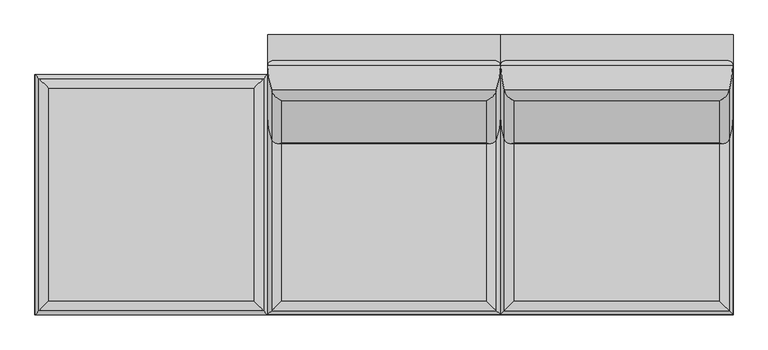
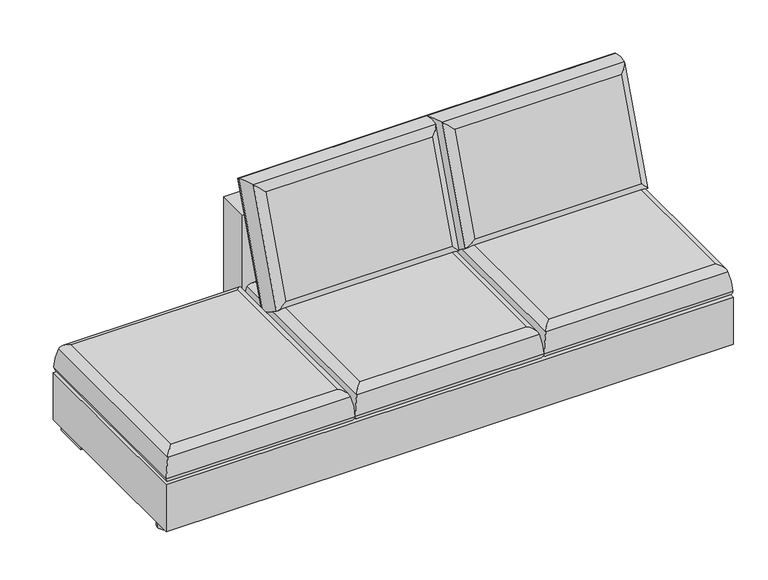
"""IFC4 building model written with IfcOpenShell, lengths in millimetres: furniture geometry."""

from ifc_helpers import new_model, si_unit, point, frame, frame_2d, origin, origin_with_axes, place, context, project, spatial, polyline, circle_curve, ellipse_curve, trimmed, segment, composite_curve, outline, extrude, source, transform, mapped, element, save
from ifc_brep_helpers import plane_surface, cylinder_surface, advanced_brep


def furniture_ee1c60ec(model_context):
    return source(origin(), model_context, "Body", "SolidModel", [
        extrude(outline(composite_curve([segment(polyline([(3146.8557485, 1413.1731837), (3146.8557485, 1552.0794337)]), True, "CONTINUOUS"), segment(trimmed(circle_curve(frame_2d((3556.4307485, -6571.2496529)), 8133.6478365), [point((3146.8557485, 1552.0794337))], [point((3966.0057485, 1552.0794337))], False, "CARTESIAN"), True, "CONTINUOUS"), segment(polyline([(3966.0057485, 1552.0794337), (3966.0057485, 1413.1731837), (3146.8557485, 1413.1731837)]), True, "CONTINUOUS")], self_intersect=False)), frame((0.0, 0.0, 60.325), z_axis=(0.0, 0.0, 1.0), x_axis=(1.0, 0.0, 0.0)), (0.0, 0.0, 1.0), 650.875),
        extrude(outline(composite_curve([segment(polyline([(4785.1557485, 1413.1731837), (3966.0057485, 1413.1731837), (3966.0057485, 1552.0794337)]), True, "CONTINUOUS"), segment(trimmed(circle_curve(frame_2d((4375.5807485, -6571.2496529)), 8133.6478365), [point((3966.0057485, 1552.0794337))], [point((4785.1557485, 1552.0794337))], False, "CARTESIAN"), True, "CONTINUOUS"), segment(polyline([(4785.1557485, 1552.0794337), (4785.1557485, 1413.1731837)]), True, "CONTINUOUS")], self_intersect=False)), frame((0.0, 0.0, 60.325), z_axis=(0.0, 0.0, 1.0), x_axis=(1.0, 0.0, 0.0)), (0.0, 0.0, 1.0), 650.875),
        advanced_brep(
        [(4758.643919, 1294.7666183, 377.9035736), (3992.5175779, 1294.7666183, 377.9035736), (3992.5175779, 1459.0650033, 829.3096765), (4758.643919, 1459.0650033, 829.3096765), (4771.0157614, 1356.8186905, 879.6901306), (4737.5307485, 1320.5688146, 857.25), (4737.5307485, 1170.7126888, 445.5236782), (4771.0157614, 1184.0574669, 405.0325697), (4013.6307485, 1170.7126888, 445.5236782), (3980.1457355, 1184.0574669, 405.0325697), (4013.6307485, 1320.5688146, 857.25), (3980.1457355, 1356.8186905, 879.6901306), (4784.0419387, 1261.9137541, 362.8330302), (4784.0419387, 1443.5854078, 861.9717966), (3967.1195582, 1261.9137541, 362.8330302), (3967.1195582, 1443.5854078, 861.9717966)],
        [
            (0, 1),
            (1, 2),
            (2, 3),
            (3, 0),
            (4, 5, ellipse_curve(frame((4735.8147056, 1354.3902913, 843.1138145), z_axis=(0.7071067811865477, -0.24184476264798005, -0.6644630243886728), x_axis=(0.7071067811865474, 0.24184476264798002, 0.664463024388673)), 51.8406023, 36.6568414)),
            (5, 6),
            (6, 7, ellipse_curve(frame((4735.8147056, 1205.7080079, 434.6125984), z_axis=(0.7071067811865472, 0.24184476264798022, 0.6644630243886732), x_axis=(-0.7071067811865479, 0.2418447626479799, 0.6644630243886727)), 51.8406023, 36.6568414)),
            (7, 4),
            (6, 8),
            (8, 9, ellipse_curve(frame((4015.3467913, 1205.7080079, 434.6125984), z_axis=(0.7071067811865477, -0.24184476264797994, -0.6644630243886728), x_axis=(0.7071067811865474, 0.24184476264798013, 0.6644630243886731)), 51.8406023, 36.6568414)),
            (9, 7),
            (8, 10),
            (10, 11, ellipse_curve(frame((4015.3467913, 1354.3902913, 843.1138145), z_axis=(-0.7071067811865474, -0.24184476264798002, -0.6644630243886731), x_axis=(0.7071067811865476, -0.24184476264798002, -0.6644630243886728)), 51.8406023, 36.6568414)),
            (11, 9),
            (4, 11),
            (10, 5),
            (7, 12, ellipse_curve(frame((4455.421816, 1378.1647034, 670.2313752), z_axis=(0.7071067811865472, 0.24184476264798022, 0.6644630243886732), x_axis=(-0.7071067811865479, 0.2418447626479799, 0.6644630243886727)), 464.7752698, 328.645745)),
            (12, 13),
            (13, 4, ellipse_curve(frame((4455.421816, 1335.0469541, 551.7663328), z_axis=(0.7071067811865477, -0.24184476264798005, -0.6644630243886728), x_axis=(0.7071067811865474, 0.24184476264798002, 0.664463024388673)), 464.7752698, 328.645745)),
            (9, 14, ellipse_curve(frame((4295.739681, 1378.1647034, 670.2313752), z_axis=(0.7071067811865477, -0.24184476264797994, -0.6644630243886728), x_axis=(0.7071067811865474, 0.24184476264798013, 0.6644630243886731)), 464.7752698, 328.645745)),
            (14, 12),
            (11, 15, ellipse_curve(frame((4295.739681, 1335.0469541, 551.7663328), z_axis=(-0.7071067811865474, -0.24184476264798002, -0.6644630243886731), x_axis=(0.7071067811865476, -0.24184476264798002, -0.6644630243886728)), 464.7752698, 328.645745)),
            (15, 14),
            (13, 15),
            (3, 13, ellipse_curve(frame((4758.643919, 1435.1968108, 837.9969882), z_axis=(0.7071067811865477, -0.24184476264798005, -0.6644630243886728), x_axis=(0.7071067811865474, 0.24184476264798002, 0.664463024388673)), 35.9210245, 25.4)),
            (12, 0, ellipse_curve(frame((4758.643919, 1270.8984257, 386.5908853), z_axis=(0.7071067811865472, 0.24184476264798022, 0.6644630243886732), x_axis=(-0.7071067811865479, 0.2418447626479799, 0.6644630243886727)), 35.9210245, 25.4)),
            (14, 1, ellipse_curve(frame((3992.5175779, 1270.8984257, 386.5908853), z_axis=(0.7071067811865477, -0.24184476264797994, -0.6644630243886728), x_axis=(0.7071067811865474, 0.24184476264798013, 0.6644630243886731)), 35.9210245, 25.4)),
            (15, 2, ellipse_curve(frame((3992.5175779, 1435.1968108, 837.9969882), z_axis=(-0.7071067811865474, -0.24184476264798002, -0.6644630243886731), x_axis=(0.7071067811865476, -0.24184476264798002, -0.6644630243886728)), 35.9210245, 25.4)),
        ],
        [
            plane_surface(frame((3992.5175779, 1459.0650033, 829.3096765), z_axis=(0.0, 0.939692620785906, -0.34202014332567565), x_axis=(1.0, 0.0, 0.0))),
            cylinder_surface(frame((4735.8147056, 1371.2659218, 889.4792284), z_axis=(0.0, 0.34202014332567554, 0.9396926207859059), x_axis=(1.0, 0.0, 0.0)), 36.6568414),
            cylinder_surface(frame((4785.1557485, 1205.7080079, 434.6125984), z_axis=(1.0, 0.0, 0.0), x_axis=(0.0, -0.3420201433256756, -0.939692620785906)), 36.6568414),
            cylinder_surface(frame((4015.3467913, 1188.8323774, 388.2471845), z_axis=(0.0, -0.3420201433256755, -0.939692620785906), x_axis=(-1.0, 0.0, 0.0)), 36.6568414),
            cylinder_surface(frame((3966.0057485, 1354.3902913, 843.1138145), z_axis=(-1.0, 0.0, 0.0), x_axis=(0.0, 0.3420201433256756, 0.939692620785906)), 36.6568414),
            cylinder_surface(frame((4455.421816, 1447.822601, 861.614876), z_axis=(0.0, 0.34202014332567554, 0.9396926207859059), x_axis=(1.0, 0.0, 0.0)), 328.645745),
            cylinder_surface(frame((4785.1557485, 1378.1647034, 670.2313752), z_axis=(1.0, 0.0, 0.0), x_axis=(0.0, -0.3420201433256756, -0.939692620785906)), 328.645745),
            cylinder_surface(frame((4295.739681, 1265.3890566, 360.382832), z_axis=(0.0, -0.3420201433256755, -0.939692620785906), x_axis=(-1.0, 0.0, 0.0)), 328.645745),
            cylinder_surface(frame((3966.0057485, 1335.0469541, 551.7663328), z_axis=(-1.0, 0.0, 0.0), x_axis=(0.0, 0.3420201433256756, 0.939692620785906)), 328.645745),
            cylinder_surface(frame((4758.643919, 1444.2643905, 862.9099587), z_axis=(0.0, 0.34202014332567554, 0.9396926207859059), x_axis=(1.0, 0.0, 0.0)), 25.4),
            cylinder_surface(frame((4785.1557485, 1270.8984257, 386.5908853), z_axis=(1.0, 0.0, 0.0), x_axis=(0.0, -0.3420201433256756, -0.939692620785906)), 25.4),
            cylinder_surface(frame((3992.5175779, 1261.830846, 361.6779148), z_axis=(0.0, -0.3420201433256755, -0.939692620785906), x_axis=(-1.0, 0.0, 0.0)), 25.4),
            cylinder_surface(frame((3966.0057485, 1435.1968108, 837.9969882), z_axis=(-1.0, 0.0, 0.0), x_axis=(0.0, 0.3420201433256756, 0.939692620785906)), 25.4),
            plane_surface(frame((4013.6307485, 1320.5688146, 857.25), z_axis=(0.0, -0.939692620785906, 0.3420201433256756), x_axis=(-1.0, 0.0, 0.0))),
        ],
        [
            (0, [[1, 2, 3, 4]]),
            (1, [[5, 6, 7, 8]]),
            (2, [[-7, 9, 10, 11]]),
            (3, [[-10, 12, 13, 14]]),
            (4, [[-5, 15, -13, 16]]),
            (5, [[-8, 17, 18, 19]]),
            (6, [[-11, 20, 21, -17]]),
            (7, [[-14, 22, 23, -20]]),
            (8, [[-15, -19, 24, -22]]),
            (9, [[-4, 25, -18, 26]]),
            (10, [[-1, -26, -21, 27]]),
            (11, [[-2, -27, -23, 28]]),
            (12, [[-3, -28, -24, -25]]),
            (13, [[-6, -16, -12, -9]]),
        ],
    ),
        advanced_brep(
        [(3939.493919, 1294.7666183, 377.9035736), (3173.3675779, 1294.7666183, 377.9035736), (3173.3675779, 1459.0650033, 829.3096765), (3939.493919, 1459.0650033, 829.3096765), (3951.8657614, 1356.8186905, 879.6901306), (3918.3807485, 1320.5688146, 857.25), (3918.3807485, 1170.7126888, 445.5236782), (3951.8657614, 1184.0574669, 405.0325697), (3194.4807485, 1170.7126888, 445.5236782), (3160.9957355, 1184.0574669, 405.0325697), (3194.4807485, 1320.5688146, 857.25), (3160.9957355, 1356.8186905, 879.6901306), (3964.8919387, 1261.9137541, 362.8330302), (3964.8919387, 1443.5854078, 861.9717966), (3147.9695582, 1261.9137541, 362.8330302), (3147.9695582, 1443.5854078, 861.9717966)],
        [
            (0, 1),
            (1, 2),
            (2, 3),
            (3, 0),
            (4, 5, ellipse_curve(frame((3916.6647056, 1354.3902913, 843.1138145), z_axis=(0.7071067811865477, -0.24184476264798005, -0.6644630243886728), x_axis=(0.7071067811865474, 0.24184476264798002, 0.664463024388673)), 51.8406023, 36.6568414)),
            (5, 6),
            (6, 7, ellipse_curve(frame((3916.6647056, 1205.7080079, 434.6125984), z_axis=(0.7071067811865472, 0.24184476264798022, 0.6644630243886732), x_axis=(-0.7071067811865479, 0.2418447626479799, 0.6644630243886727)), 51.8406023, 36.6568414)),
            (7, 4),
            (6, 8),
            (8, 9, ellipse_curve(frame((3196.1967913, 1205.7080079, 434.6125984), z_axis=(0.7071067811865477, -0.24184476264797994, -0.6644630243886728), x_axis=(0.7071067811865474, 0.24184476264798013, 0.6644630243886731)), 51.8406023, 36.6568414)),
            (9, 7),
            (8, 10),
            (10, 11, ellipse_curve(frame((3196.1967913, 1354.3902913, 843.1138145), z_axis=(-0.7071067811865474, -0.24184476264798002, -0.6644630243886731), x_axis=(0.7071067811865476, -0.24184476264798002, -0.6644630243886728)), 51.8406023, 36.6568414)),
            (11, 9),
            (4, 11),
            (10, 5),
            (7, 12, ellipse_curve(frame((3636.271816, 1378.1647034, 670.2313752), z_axis=(0.7071067811865472, 0.24184476264798022, 0.6644630243886732), x_axis=(-0.7071067811865479, 0.2418447626479799, 0.6644630243886727)), 464.7752698, 328.645745)),
            (12, 13),
            (13, 4, ellipse_curve(frame((3636.271816, 1335.0469541, 551.7663328), z_axis=(0.7071067811865477, -0.24184476264798005, -0.6644630243886728), x_axis=(0.7071067811865474, 0.24184476264798002, 0.664463024388673)), 464.7752698, 328.645745)),
            (9, 14, ellipse_curve(frame((3476.589681, 1378.1647034, 670.2313752), z_axis=(0.7071067811865477, -0.24184476264797994, -0.6644630243886728), x_axis=(0.7071067811865474, 0.24184476264798013, 0.6644630243886731)), 464.7752698, 328.645745)),
            (14, 12),
            (11, 15, ellipse_curve(frame((3476.589681, 1335.0469541, 551.7663328), z_axis=(-0.7071067811865474, -0.24184476264798002, -0.6644630243886731), x_axis=(0.7071067811865476, -0.24184476264798002, -0.6644630243886728)), 464.7752698, 328.645745)),
            (15, 14),
            (13, 15),
            (3, 13, ellipse_curve(frame((3939.493919, 1435.1968108, 837.9969882), z_axis=(0.7071067811865477, -0.24184476264798005, -0.6644630243886728), x_axis=(0.7071067811865474, 0.24184476264798002, 0.664463024388673)), 35.9210245, 25.4)),
            (12, 0, ellipse_curve(frame((3939.493919, 1270.8984257, 386.5908853), z_axis=(0.7071067811865472, 0.24184476264798022, 0.6644630243886732), x_axis=(-0.7071067811865479, 0.2418447626479799, 0.6644630243886727)), 35.9210245, 25.4)),
            (14, 1, ellipse_curve(frame((3173.3675779, 1270.8984257, 386.5908853), z_axis=(0.7071067811865477, -0.24184476264797994, -0.6644630243886728), x_axis=(0.7071067811865474, 0.24184476264798013, 0.6644630243886731)), 35.9210245, 25.4)),
            (15, 2, ellipse_curve(frame((3173.3675779, 1435.1968108, 837.9969882), z_axis=(-0.7071067811865474, -0.24184476264798002, -0.6644630243886731), x_axis=(0.7071067811865476, -0.24184476264798002, -0.6644630243886728)), 35.9210245, 25.4)),
        ],
        [
            plane_surface(frame((3173.3675779, 1459.0650033, 829.3096765), z_axis=(0.0, 0.939692620785906, -0.34202014332567565), x_axis=(1.0, 0.0, 0.0))),
            cylinder_surface(frame((3916.6647056, 1371.2659218, 889.4792284), z_axis=(0.0, 0.34202014332567554, 0.9396926207859059), x_axis=(1.0, 0.0, 0.0)), 36.6568414),
            cylinder_surface(frame((3966.0057485, 1205.7080079, 434.6125984), z_axis=(1.0, 0.0, 0.0), x_axis=(0.0, -0.3420201433256756, -0.939692620785906)), 36.6568414),
            cylinder_surface(frame((3196.1967913, 1188.8323774, 388.2471845), z_axis=(0.0, -0.3420201433256755, -0.939692620785906), x_axis=(-1.0, 0.0, 0.0)), 36.6568414),
            cylinder_surface(frame((3146.8557485, 1354.3902913, 843.1138145), z_axis=(-1.0, 0.0, 0.0), x_axis=(0.0, 0.3420201433256756, 0.939692620785906)), 36.6568414),
            cylinder_surface(frame((3636.271816, 1447.822601, 861.614876), z_axis=(0.0, 0.34202014332567554, 0.9396926207859059), x_axis=(1.0, 0.0, 0.0)), 328.645745),
            cylinder_surface(frame((3966.0057485, 1378.1647034, 670.2313752), z_axis=(1.0, 0.0, 0.0), x_axis=(0.0, -0.3420201433256756, -0.939692620785906)), 328.645745),
            cylinder_surface(frame((3476.589681, 1265.3890566, 360.382832), z_axis=(0.0, -0.3420201433256755, -0.939692620785906), x_axis=(-1.0, 0.0, 0.0)), 328.645745),
            cylinder_surface(frame((3146.8557485, 1335.0469541, 551.7663328), z_axis=(-1.0, 0.0, 0.0), x_axis=(0.0, 0.3420201433256756, 0.939692620785906)), 328.645745),
            cylinder_surface(frame((3939.493919, 1444.2643905, 862.9099587), z_axis=(0.0, 0.34202014332567554, 0.9396926207859059), x_axis=(1.0, 0.0, 0.0)), 25.4),
            cylinder_surface(frame((3966.0057485, 1270.8984257, 386.5908853), z_axis=(1.0, 0.0, 0.0), x_axis=(0.0, -0.3420201433256756, -0.939692620785906)), 25.4),
            cylinder_surface(frame((3173.3675779, 1261.830846, 361.6779148), z_axis=(0.0, -0.3420201433256755, -0.939692620785906), x_axis=(-1.0, 0.0, 0.0)), 25.4),
            cylinder_surface(frame((3146.8557485, 1435.1968108, 837.9969882), z_axis=(-1.0, 0.0, 0.0), x_axis=(0.0, 0.3420201433256756, 0.939692620785906)), 25.4),
            plane_surface(frame((3194.4807485, 1320.5688146, 857.25), z_axis=(0.0, -0.939692620785906, 0.3420201433256756), x_axis=(-1.0, 0.0, 0.0))),
        ],
        [
            (0, [[1, 2, 3, 4]]),
            (1, [[5, 6, 7, 8]]),
            (2, [[-7, 9, 10, 11]]),
            (3, [[-10, 12, 13, 14]]),
            (4, [[-5, 15, -13, 16]]),
            (5, [[-8, 17, 18, 19]]),
            (6, [[-11, 20, 21, -17]]),
            (7, [[-14, 22, 23, -20]]),
            (8, [[-15, -19, 24, -22]]),
            (9, [[-4, 25, -18, 26]]),
            (10, [[-1, -26, -21, 27]]),
            (11, [[-2, -27, -23, 28]]),
            (12, [[-3, -28, -24, -25]]),
            (13, [[-6, -16, -12, -9]]),
        ],
    ),
        advanced_brep(
        [(4758.643919, 591.9600131, 276.225), (3992.5175779, 591.9600131, 276.225), (3992.5175779, 1386.6613542, 276.225), (4758.643919, 1386.6613542, 276.225), (4771.0157614, 1399.0331966, 389.5362358), (4737.5307485, 1365.5481837, 415.925), (4737.5307485, 613.0731837, 415.925), (4771.0157614, 579.5881707, 389.5362358), (4013.6307485, 613.0731837, 415.925), (3980.1457355, 579.5881707, 389.5362358), (4013.6307485, 1365.5481837, 415.925), (3980.1457355, 1399.0331966, 389.5362358), (4784.0419387, 566.5619934, 301.9421647), (4784.0419387, 1412.0593739, 301.9421647), (3967.1195582, 566.5619934, 301.9421647), (3967.1195582, 1412.0593739, 301.9421647)],
        [
            (0, 1),
            (1, 2),
            (2, 3),
            (3, 0),
            (4, 5, ellipse_curve(frame((4735.8147056, 1363.8321408, 379.3083478), z_axis=(0.7071067811865475, -0.7071067811865475, 0.0), x_axis=(0.7071067811865474, 0.7071067811865476, 0.0)), 51.8406023, 36.6568414)),
            (5, 6),
            (6, 7, ellipse_curve(frame((4735.8147056, 614.7892265, 379.3083478), z_axis=(0.7071067811865475, 0.7071067811865475, 0.0), x_axis=(-0.7071067811865474, 0.7071067811865476, 0.0)), 51.8406023, 36.6568414)),
            (7, 4),
            (6, 8),
            (8, 9, ellipse_curve(frame((4015.3467913, 614.7892265, 379.3083478), z_axis=(0.7071067811865475, -0.7071067811865475, 0.0), x_axis=(0.7071067811865476, 0.7071067811865474, 0.0)), 51.8406023, 36.6568414)),
            (9, 7),
            (8, 10),
            (10, 11, ellipse_curve(frame((4015.3467913, 1363.8321408, 379.3083478), z_axis=(-0.7071067811865475, -0.7071067811865475, 0.0), x_axis=(0.7071067811865474, -0.7071067811865476, 0.0)), 51.8406023, 36.6568414)),
            (11, 9),
            (4, 11),
            (10, 5),
            (7, 12, ellipse_curve(frame((4455.421816, 895.1821162, 297.8384315), z_axis=(0.7071067811865475, 0.7071067811865475, 0.0), x_axis=(-0.7071067811865474, 0.7071067811865476, 0.0)), 464.7752698, 328.645745)),
            (12, 13),
            (13, 4, ellipse_curve(frame((4455.421816, 1083.4392512, 297.8384315), z_axis=(0.7071067811865475, -0.7071067811865475, 0.0), x_axis=(0.7071067811865474, 0.7071067811865476, 0.0)), 464.7752698, 328.645745)),
            (9, 14, ellipse_curve(frame((4295.739681, 895.1821162, 297.8384315), z_axis=(0.7071067811865475, -0.7071067811865475, 0.0), x_axis=(0.7071067811865476, 0.7071067811865474, 0.0)), 464.7752698, 328.645745)),
            (14, 12),
            (11, 15, ellipse_curve(frame((4295.739681, 1083.4392512, 297.8384315), z_axis=(-0.7071067811865475, -0.7071067811865475, 0.0), x_axis=(0.7071067811865474, -0.7071067811865476, 0.0)), 464.7752698, 328.645745)),
            (15, 14),
            (13, 15),
            (3, 13, ellipse_curve(frame((4758.643919, 1386.6613542, 301.625), z_axis=(0.7071067811865475, -0.7071067811865475, 0.0), x_axis=(0.7071067811865474, 0.7071067811865476, 0.0)), 35.9210245, 25.4)),
            (12, 0, ellipse_curve(frame((4758.643919, 591.9600131, 301.625), z_axis=(0.7071067811865475, 0.7071067811865475, 0.0), x_axis=(-0.7071067811865474, 0.7071067811865476, 0.0)), 35.9210245, 25.4)),
            (14, 1, ellipse_curve(frame((3992.5175779, 591.9600131, 301.625), z_axis=(0.7071067811865475, -0.7071067811865475, 0.0), x_axis=(0.7071067811865476, 0.7071067811865474, 0.0)), 35.9210245, 25.4)),
            (15, 2, ellipse_curve(frame((3992.5175779, 1386.6613542, 301.625), z_axis=(-0.7071067811865475, -0.7071067811865475, 0.0), x_axis=(0.7071067811865474, -0.7071067811865476, 0.0)), 35.9210245, 25.4)),
        ],
        [
            plane_surface(frame((3992.5175779, 1386.6613542, 276.225), z_axis=(0.0, 0.0, -1.0), x_axis=(1.0, 0.0, 0.0))),
            cylinder_surface(frame((4735.8147056, 1413.1731837, 379.3083478), z_axis=(0.0, 1.0, 0.0), x_axis=(1.0, 0.0, 0.0)), 36.6568414),
            cylinder_surface(frame((4785.1557485, 614.7892265, 379.3083478), z_axis=(1.0, 0.0, 0.0), x_axis=(0.0, -1.0, 0.0)), 36.6568414),
            cylinder_surface(frame((4015.3467913, 565.4481837, 379.3083478), z_axis=(0.0, -1.0, 0.0), x_axis=(-1.0, 0.0, 0.0)), 36.6568414),
            cylinder_surface(frame((3966.0057485, 1363.8321408, 379.3083478), z_axis=(-1.0, 0.0, 0.0), x_axis=(0.0, 1.0, 0.0)), 36.6568414),
            cylinder_surface(frame((4455.421816, 1413.1731837, 297.8384315), z_axis=(0.0, 1.0, 0.0), x_axis=(1.0, 0.0, 0.0)), 328.645745),
            cylinder_surface(frame((4785.1557485, 895.1821162, 297.8384315), z_axis=(1.0, 0.0, 0.0), x_axis=(0.0, -1.0, 0.0)), 328.645745),
            cylinder_surface(frame((4295.739681, 565.4481837, 297.8384315), z_axis=(0.0, -1.0, 0.0), x_axis=(-1.0, 0.0, 0.0)), 328.645745),
            cylinder_surface(frame((3966.0057485, 1083.4392512, 297.8384315), z_axis=(-1.0, 0.0, 0.0), x_axis=(0.0, 1.0, 0.0)), 328.645745),
            cylinder_surface(frame((4758.643919, 1413.1731837, 301.625), z_axis=(0.0, 1.0, 0.0), x_axis=(1.0, 0.0, 0.0)), 25.4),
            cylinder_surface(frame((4785.1557485, 591.9600131, 301.625), z_axis=(1.0, 0.0, 0.0), x_axis=(0.0, -1.0, 0.0)), 25.4),
            cylinder_surface(frame((3992.5175779, 565.4481837, 301.625), z_axis=(0.0, -1.0, 0.0), x_axis=(-1.0, 0.0, 0.0)), 25.4),
            cylinder_surface(frame((3966.0057485, 1386.6613542, 301.625), z_axis=(-1.0, 0.0, 0.0), x_axis=(0.0, 1.0, 0.0)), 25.4),
            plane_surface(frame((4013.6307485, 1365.5481837, 415.925), z_axis=(0.0, 0.0, 1.0), x_axis=(-1.0, 0.0, 0.0))),
        ],
        [
            (0, [[1, 2, 3, 4]]),
            (1, [[5, 6, 7, 8]]),
            (2, [[-7, 9, 10, 11]]),
            (3, [[-10, 12, 13, 14]]),
            (4, [[-5, 15, -13, 16]]),
            (5, [[-8, 17, 18, 19]]),
            (6, [[-11, 20, 21, -17]]),
            (7, [[-14, 22, 23, -20]]),
            (8, [[-15, -19, 24, -22]]),
            (9, [[-4, 25, -18, 26]]),
            (10, [[-1, -26, -21, 27]]),
            (11, [[-2, -27, -23, 28]]),
            (12, [[-3, -28, -24, -25]]),
            (13, [[-6, -16, -12, -9]]),
        ],
    ),
        advanced_brep(
        [(3939.493919, 591.9600131, 276.225), (3173.3675779, 591.9600131, 276.225), (3173.3675779, 1386.6613542, 276.225), (3939.493919, 1386.6613542, 276.225), (3951.8657614, 1399.0331966, 389.5362358), (3918.3807485, 1365.5481837, 415.925), (3918.3807485, 613.0731837, 415.925), (3951.8657614, 579.5881707, 389.5362358), (3194.4807485, 613.0731837, 415.925), (3160.9957355, 579.5881707, 389.5362358), (3194.4807485, 1365.5481837, 415.925), (3160.9957355, 1399.0331966, 389.5362358), (3964.8919387, 566.5619934, 301.9421647), (3964.8919387, 1412.0593739, 301.9421647), (3147.9695582, 566.5619934, 301.9421647), (3147.9695582, 1412.0593739, 301.9421647)],
        [
            (0, 1),
            (1, 2),
            (2, 3),
            (3, 0),
            (4, 5, ellipse_curve(frame((3916.6647056, 1363.8321408, 379.3083478), z_axis=(0.7071067811865475, -0.7071067811865475, 0.0), x_axis=(0.7071067811865474, 0.7071067811865476, 0.0)), 51.8406023, 36.6568414)),
            (5, 6),
            (6, 7, ellipse_curve(frame((3916.6647056, 614.7892265, 379.3083478), z_axis=(0.7071067811865475, 0.7071067811865475, 0.0), x_axis=(-0.7071067811865474, 0.7071067811865476, 0.0)), 51.8406023, 36.6568414)),
            (7, 4),
            (6, 8),
            (8, 9, ellipse_curve(frame((3196.1967913, 614.7892265, 379.3083478), z_axis=(0.7071067811865475, -0.7071067811865475, 0.0), x_axis=(0.7071067811865476, 0.7071067811865474, 0.0)), 51.8406023, 36.6568414)),
            (9, 7),
            (8, 10),
            (10, 11, ellipse_curve(frame((3196.1967913, 1363.8321408, 379.3083478), z_axis=(-0.7071067811865475, -0.7071067811865475, 0.0), x_axis=(0.7071067811865474, -0.7071067811865476, 0.0)), 51.8406023, 36.6568414)),
            (11, 9),
            (4, 11),
            (10, 5),
            (7, 12, ellipse_curve(frame((3636.271816, 895.1821162, 297.8384315), z_axis=(0.7071067811865475, 0.7071067811865475, 0.0), x_axis=(-0.7071067811865474, 0.7071067811865476, 0.0)), 464.7752698, 328.645745)),
            (12, 13),
            (13, 4, ellipse_curve(frame((3636.271816, 1083.4392512, 297.8384315), z_axis=(0.7071067811865475, -0.7071067811865475, 0.0), x_axis=(0.7071067811865474, 0.7071067811865476, 0.0)), 464.7752698, 328.645745)),
            (9, 14, ellipse_curve(frame((3476.589681, 895.1821162, 297.8384315), z_axis=(0.7071067811865475, -0.7071067811865475, 0.0), x_axis=(0.7071067811865476, 0.7071067811865474, 0.0)), 464.7752698, 328.645745)),
            (14, 12),
            (11, 15, ellipse_curve(frame((3476.589681, 1083.4392512, 297.8384315), z_axis=(-0.7071067811865475, -0.7071067811865475, 0.0), x_axis=(0.7071067811865474, -0.7071067811865476, 0.0)), 464.7752698, 328.645745)),
            (15, 14),
            (13, 15),
            (3, 13, ellipse_curve(frame((3939.493919, 1386.6613542, 301.625), z_axis=(0.7071067811865475, -0.7071067811865475, 0.0), x_axis=(0.7071067811865474, 0.7071067811865476, 0.0)), 35.9210245, 25.4)),
            (12, 0, ellipse_curve(frame((3939.493919, 591.9600131, 301.625), z_axis=(0.7071067811865475, 0.7071067811865475, 0.0), x_axis=(-0.7071067811865474, 0.7071067811865476, 0.0)), 35.9210245, 25.4)),
            (14, 1, ellipse_curve(frame((3173.3675779, 591.9600131, 301.625), z_axis=(0.7071067811865475, -0.7071067811865475, 0.0), x_axis=(0.7071067811865476, 0.7071067811865474, 0.0)), 35.9210245, 25.4)),
            (15, 2, ellipse_curve(frame((3173.3675779, 1386.6613542, 301.625), z_axis=(-0.7071067811865475, -0.7071067811865475, 0.0), x_axis=(0.7071067811865474, -0.7071067811865476, 0.0)), 35.9210245, 25.4)),
        ],
        [
            plane_surface(frame((3173.3675779, 1386.6613542, 276.225), z_axis=(0.0, 0.0, -1.0), x_axis=(1.0, 0.0, 0.0))),
            cylinder_surface(frame((3916.6647056, 1413.1731837, 379.3083478), z_axis=(0.0, 1.0, 0.0), x_axis=(1.0, 0.0, 0.0)), 36.6568414),
            cylinder_surface(frame((3966.0057485, 614.7892265, 379.3083478), z_axis=(1.0, 0.0, 0.0), x_axis=(0.0, -1.0, 0.0)), 36.6568414),
            cylinder_surface(frame((3196.1967913, 565.4481837, 379.3083478), z_axis=(0.0, -1.0, 0.0), x_axis=(-1.0, 0.0, 0.0)), 36.6568414),
            cylinder_surface(frame((3146.8557485, 1363.8321408, 379.3083478), z_axis=(-1.0, 0.0, 0.0), x_axis=(0.0, 1.0, 0.0)), 36.6568414),
            cylinder_surface(frame((3636.271816, 1413.1731837, 297.8384315), z_axis=(0.0, 1.0, 0.0), x_axis=(1.0, 0.0, 0.0)), 328.645745),
            cylinder_surface(frame((3966.0057485, 895.1821162, 297.8384315), z_axis=(1.0, 0.0, 0.0), x_axis=(0.0, -1.0, 0.0)), 328.645745),
            cylinder_surface(frame((3476.589681, 565.4481837, 297.8384315), z_axis=(0.0, -1.0, 0.0), x_axis=(-1.0, 0.0, 0.0)), 328.645745),
            cylinder_surface(frame((3146.8557485, 1083.4392512, 297.8384315), z_axis=(-1.0, 0.0, 0.0), x_axis=(0.0, 1.0, 0.0)), 328.645745),
            cylinder_surface(frame((3939.493919, 1413.1731837, 301.625), z_axis=(0.0, 1.0, 0.0), x_axis=(1.0, 0.0, 0.0)), 25.4),
            cylinder_surface(frame((3966.0057485, 591.9600131, 301.625), z_axis=(1.0, 0.0, 0.0), x_axis=(0.0, -1.0, 0.0)), 25.4),
            cylinder_surface(frame((3173.3675779, 565.4481837, 301.625), z_axis=(0.0, -1.0, 0.0), x_axis=(-1.0, 0.0, 0.0)), 25.4),
            cylinder_surface(frame((3146.8557485, 1386.6613542, 301.625), z_axis=(-1.0, 0.0, 0.0), x_axis=(0.0, 1.0, 0.0)), 25.4),
            plane_surface(frame((3194.4807485, 1365.5481837, 415.925), z_axis=(0.0, 0.0, 1.0), x_axis=(-1.0, 0.0, 0.0))),
        ],
        [
            (0, [[1, 2, 3, 4]]),
            (1, [[5, 6, 7, 8]]),
            (2, [[-7, 9, 10, 11]]),
            (3, [[-10, 12, 13, 14]]),
            (4, [[-5, 15, -13, 16]]),
            (5, [[-8, 17, 18, 19]]),
            (6, [[-11, 20, 21, -17]]),
            (7, [[-14, 22, 23, -20]]),
            (8, [[-15, -19, 24, -22]]),
            (9, [[-4, 25, -18, 26]]),
            (10, [[-1, -26, -21, 27]]),
            (11, [[-2, -27, -23, 28]]),
            (12, [[-3, -28, -24, -25]]),
            (13, [[-6, -16, -12, -9]]),
        ],
    ),
        advanced_brep(
        [(3120.343919, 591.5794432, 276.225), (2354.2175779, 591.5794432, 276.225), (2354.2175779, 1386.2807843, 276.225), (3120.343919, 1386.2807843, 276.225), (3132.7157614, 1398.6526267, 389.5362358), (3099.2307485, 1365.1676138, 415.925), (3099.2307485, 612.6926138, 415.925), (3132.7157614, 579.2076008, 389.5362358), (2375.3307485, 612.6926138, 415.925), (2341.8457355, 579.2076008, 389.5362358), (2375.3307485, 1365.1676138, 415.925), (2341.8457355, 1398.6526267, 389.5362358), (3145.7419387, 566.1814235, 301.9421647), (3145.7419387, 1411.6788041, 301.9421647), (2328.8195582, 566.1814235, 301.9421647), (2328.8195582, 1411.6788041, 301.9421647)],
        [
            (0, 1),
            (1, 2),
            (2, 3),
            (3, 0),
            (4, 5, ellipse_curve(frame((3097.5147056, 1363.4515709, 379.3083478), z_axis=(0.7071067811865475, -0.7071067811865475, 0.0), x_axis=(0.7071067811865474, 0.7071067811865476, 0.0)), 51.8406023, 36.6568414)),
            (5, 6),
            (6, 7, ellipse_curve(frame((3097.5147056, 614.4086566, 379.3083478), z_axis=(0.7071067811865475, 0.7071067811865475, 0.0), x_axis=(-0.7071067811865474, 0.7071067811865476, 0.0)), 51.8406023, 36.6568414)),
            (7, 4),
            (6, 8),
            (8, 9, ellipse_curve(frame((2377.0467913, 614.4086566, 379.3083478), z_axis=(0.7071067811865475, -0.7071067811865475, 0.0), x_axis=(0.7071067811865476, 0.7071067811865474, 0.0)), 51.8406023, 36.6568414)),
            (9, 7),
            (8, 10),
            (10, 11, ellipse_curve(frame((2377.0467913, 1363.4515709, 379.3083478), z_axis=(-0.7071067811865475, -0.7071067811865475, 0.0), x_axis=(0.7071067811865474, -0.7071067811865476, 0.0)), 51.8406023, 36.6568414)),
            (11, 9),
            (4, 11),
            (10, 5),
            (7, 12, ellipse_curve(frame((2817.121816, 894.8015463, 297.8384315), z_axis=(0.7071067811865475, 0.7071067811865475, 0.0), x_axis=(-0.7071067811865474, 0.7071067811865476, 0.0)), 464.7752698, 328.645745)),
            (12, 13),
            (13, 4, ellipse_curve(frame((2817.121816, 1083.0586813, 297.8384315), z_axis=(0.7071067811865475, -0.7071067811865475, 0.0), x_axis=(0.7071067811865474, 0.7071067811865476, 0.0)), 464.7752698, 328.645745)),
            (9, 14, ellipse_curve(frame((2657.439681, 894.8015463, 297.8384315), z_axis=(0.7071067811865475, -0.7071067811865475, 0.0), x_axis=(0.7071067811865476, 0.7071067811865474, 0.0)), 464.7752698, 328.645745)),
            (14, 12),
            (11, 15, ellipse_curve(frame((2657.439681, 1083.0586813, 297.8384315), z_axis=(-0.7071067811865475, -0.7071067811865475, 0.0), x_axis=(0.7071067811865474, -0.7071067811865476, 0.0)), 464.7752698, 328.645745)),
            (15, 14),
            (13, 15),
            (3, 13, ellipse_curve(frame((3120.343919, 1386.2807843, 301.625), z_axis=(0.7071067811865475, -0.7071067811865475, 0.0), x_axis=(0.7071067811865474, 0.7071067811865476, 0.0)), 35.9210245, 25.4)),
            (12, 0, ellipse_curve(frame((3120.343919, 591.5794432, 301.625), z_axis=(0.7071067811865475, 0.7071067811865475, 0.0), x_axis=(-0.7071067811865474, 0.7071067811865476, 0.0)), 35.9210245, 25.4)),
            (14, 1, ellipse_curve(frame((2354.2175779, 591.5794432, 301.625), z_axis=(0.7071067811865475, -0.7071067811865475, 0.0), x_axis=(0.7071067811865476, 0.7071067811865474, 0.0)), 35.9210245, 25.4)),
            (15, 2, ellipse_curve(frame((2354.2175779, 1386.2807843, 301.625), z_axis=(-0.7071067811865475, -0.7071067811865475, 0.0), x_axis=(0.7071067811865474, -0.7071067811865476, 0.0)), 35.9210245, 25.4)),
        ],
        [
            plane_surface(frame((2354.2175779, 1386.2807843, 276.225), z_axis=(0.0, 0.0, -1.0), x_axis=(1.0, 0.0, 0.0))),
            cylinder_surface(frame((3097.5147056, 1412.7926138, 379.3083478), z_axis=(0.0, 1.0, 0.0), x_axis=(1.0, 0.0, 0.0)), 36.6568414),
            cylinder_surface(frame((3146.8557485, 614.4086566, 379.3083478), z_axis=(1.0, 0.0, 0.0), x_axis=(0.0, -1.0, 0.0)), 36.6568414),
            cylinder_surface(frame((2377.0467913, 565.0676138, 379.3083478), z_axis=(0.0, -1.0, 0.0), x_axis=(-1.0, 0.0, 0.0)), 36.6568414),
            cylinder_surface(frame((2327.7057485, 1363.4515709, 379.3083478), z_axis=(-1.0, 0.0, 0.0), x_axis=(0.0, 1.0, 0.0)), 36.6568414),
            cylinder_surface(frame((2817.121816, 1412.7926138, 297.8384315), z_axis=(0.0, 1.0, 0.0), x_axis=(1.0, 0.0, 0.0)), 328.645745),
            cylinder_surface(frame((3146.8557485, 894.8015463, 297.8384315), z_axis=(1.0, 0.0, 0.0), x_axis=(0.0, -1.0, 0.0)), 328.645745),
            cylinder_surface(frame((2657.439681, 565.0676138, 297.8384315), z_axis=(0.0, -1.0, 0.0), x_axis=(-1.0, 0.0, 0.0)), 328.645745),
            cylinder_surface(frame((2327.7057485, 1083.0586813, 297.8384315), z_axis=(-1.0, 0.0, 0.0), x_axis=(0.0, 1.0, 0.0)), 328.645745),
            cylinder_surface(frame((3120.343919, 1412.7926138, 301.625), z_axis=(0.0, 1.0, 0.0), x_axis=(1.0, 0.0, 0.0)), 25.4),
            cylinder_surface(frame((3146.8557485, 591.5794432, 301.625), z_axis=(1.0, 0.0, 0.0), x_axis=(0.0, -1.0, 0.0)), 25.4),
            cylinder_surface(frame((2354.2175779, 565.0676138, 301.625), z_axis=(0.0, -1.0, 0.0), x_axis=(-1.0, 0.0, 0.0)), 25.4),
            cylinder_surface(frame((2327.7057485, 1386.2807843, 301.625), z_axis=(-1.0, 0.0, 0.0), x_axis=(0.0, 1.0, 0.0)), 25.4),
            plane_surface(frame((2375.3307485, 1365.1676138, 415.925), z_axis=(0.0, 0.0, 1.0), x_axis=(-1.0, 0.0, 0.0))),
        ],
        [
            (0, [[1, 2, 3, 4]]),
            (1, [[5, 6, 7, 8]]),
            (2, [[-7, 9, 10, 11]]),
            (3, [[-10, 12, 13, 14]]),
            (4, [[-5, 15, -13, 16]]),
            (5, [[-8, 17, 18, 19]]),
            (6, [[-11, 20, 21, -17]]),
            (7, [[-14, 22, 23, -20]]),
            (8, [[-15, -19, 24, -22]]),
            (9, [[-4, 25, -18, 26]]),
            (10, [[-1, -26, -21, 27]]),
            (11, [[-2, -27, -23, 28]]),
            (12, [[-3, -28, -24, -25]]),
            (13, [[-6, -16, -12, -9]]),
        ],
    ),
        extrude(outline(composite_curve([segment(trimmed(circle_curve(frame_2d((3149.1279257, 1005.1971082)), 31.75), [point((3117.3779257, 1005.1971082))], [point((3180.8779257, 1005.1971082))], False, "CARTESIAN"), True, "CONTINUOUS"), segment(trimmed(circle_curve(frame_2d((3149.1279257, 1005.1971082)), 31.75), [point((3180.8779257, 1005.1971082))], [point((3117.3779257, 1005.1971082))], False, "CARTESIAN"), True, "CONTINUOUS")], self_intersect=False)), origin_with_axes(), (0.0, 0.0, 1.0), 60.325),
        extrude(outline(composite_curve([segment(trimmed(circle_curve(frame_2d((3963.7335712, 1005.1971082)), 31.75), [point((3995.4835712, 1005.1971082))], [point((3931.9835712, 1005.1971082))], False, "CARTESIAN"), True, "CONTINUOUS"), segment(trimmed(circle_curve(frame_2d((3963.7335712, 1005.1971082)), 31.75), [point((3931.9835712, 1005.1971082))], [point((3995.4835712, 1005.1971082))], False, "CARTESIAN"), True, "CONTINUOUS")], self_intersect=False)), origin_with_axes(), (0.0, 0.0, 1.0), 60.325),
        extrude(outline(polyline([(2418.539606, 1412.7926138), (2418.539606, 1267.3488025), (2361.7895816, 1267.3488025), (2361.7895816, 1412.7926138), (2418.539606, 1412.7926138)])), origin_with_axes(), (0.0, 0.0, 1.0), 60.325),
        extrude(outline(polyline([(4703.8468909, 1267.3488025), (4703.8468909, 1412.7926138), (4760.5969153, 1412.7926138), (4760.5969153, 1267.3488025), (4703.8468909, 1267.3488025)])), origin_with_axes(), (0.0, 0.0, 1.0), 60.325),
        extrude(outline(composite_curve([segment(trimmed(circle_curve(frame_2d((2388.0454609, 682.9844588)), 31.75), [point((2419.7954609, 682.9844588))], [point((2356.2954609, 682.9844588))], False, "CARTESIAN"), True, "CONTINUOUS"), segment(trimmed(circle_curve(frame_2d((2388.0454609, 682.9844588)), 31.75), [point((2356.2954609, 682.9844588))], [point((2419.7954609, 682.9844588))], False, "CARTESIAN"), True, "CONTINUOUS")], self_intersect=False)), origin_with_axes(), (0.0, 0.0, 1.0), 60.325),
        extrude(outline(composite_curve([segment(trimmed(circle_curve(frame_2d((4733.1963673, 682.7244808)), 31.75), [point((4764.9463673, 682.7244808))], [point((4701.4463673, 682.7244808))], False, "CARTESIAN"), True, "CONTINUOUS"), segment(trimmed(circle_curve(frame_2d((4733.1963673, 682.7244808)), 31.75), [point((4701.4463673, 682.7244808))], [point((4764.9463673, 682.7244808))], False, "CARTESIAN"), True, "CONTINUOUS")], self_intersect=False)), origin_with_axes(), (0.0, 0.0, 1.0), 60.325),
        extrude(outline(polyline([(4785.1557485, 1412.7926138), (4785.1557485, 565.4481837), (2327.7057485, 565.4481837), (2327.7057485, 1412.7926138), (4785.1557485, 1412.7926138)])), frame((0.0, 0.0, 60.325), z_axis=(0.0, 0.0, 1.0), x_axis=(1.0, 0.0, 0.0)), (0.0, 0.0, 1.0), 215.3674095),
    ])


if __name__ == "__main__":
    model = new_model("IFC4")
    model_context = context("Model", 3, world=origin())
    ifc_project = project(units=[si_unit("LENGTHUNIT", "METRE", prefix="MILLI")], contexts=[model_context])
    site = spatial("IfcSite", under=ifc_project)
    building = spatial("IfcBuilding", under=site)
    placement = place(None, origin())
    furniture_shape = furniture_ee1c60ec(model_context)
    element("IfcFurniture", 1, at=placement, inside=building, context=model_context, shape_type="MappedRepresentation", body=[
        mapped(furniture_shape, transform((0.0, 0.0, 0.0), x_axis=(1.0, 0.0, 0.0), y_axis=(0.0, 1.0, 0.0), z_axis=(0.0, 0.0, 1.0))),
    ])
    save(model, "model.ifc")
